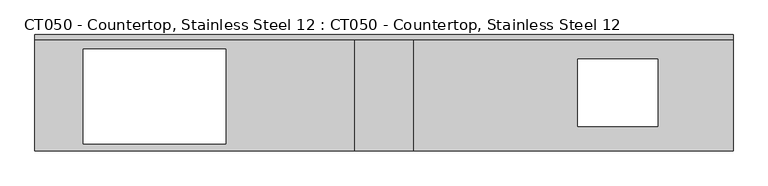
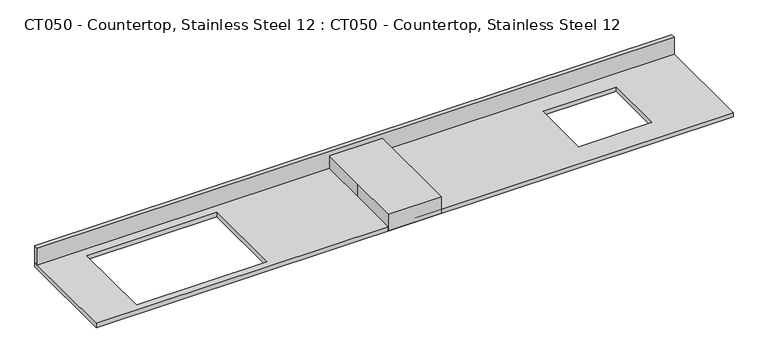
"""IFC4 building model written with IfcOpenShell, lengths in millimetres: proxy geometry, CT050 - Countertop, Stainless Steel 12 : CT050 - Countertop, Stainless Steel 12."""

from ifc_helpers import new_model, si_unit, frame, origin, origin_with_axes, place, context, project, spatial, polyline, outline, extrude, source, transform, mapped, element, save


def ct050_countertop_stainless_steel_12_ct050_countertop_0e9cb8d7(model_context):
    return source(origin(), model_context, "Body", "SweptSolid", [
        extrude(outline(polyline([(-152.4, 304.8), (152.4, 304.8), (152.4, -304.8), (-152.4, -304.8), (-152.4, 0.0), (-152.4, 304.8)])), origin_with_axes(), (0.0, 0.0, 1.0), 101.6),
        extrude(outline(polyline([(1828.8, 304.8), (1828.8, -304.8), (-1828.8, -304.8), (-1828.8, 304.8), (1828.8, 304.8)]), holes=[polyline([(1435.076648, 177.8), (1016.0, 177.8), (1016.0, -176.5010608), (1435.076648, -176.5010608), (1435.076648, 177.8)]), polyline([(-828.560319, 228.6), (-1574.8, 228.6), (-1574.8, -266.8181232), (-828.560319, -266.8181232), (-828.560319, 228.6)])]), origin_with_axes(), (0.0, 0.0, 1.0), 25.4),
        extrude(outline(polyline([(-1828.8, 279.4), (-1828.8, 304.8), (1828.8, 304.8), (1828.8, 279.4), (-1828.8, 279.4)])), frame((0.0, 0.0, 25.4), z_axis=(0.0, 0.0, 1.0), x_axis=(1.0, 0.0, 0.0)), (0.0, 0.0, 1.0), 101.6),
    ])


if __name__ == "__main__":
    model = new_model("IFC4")
    model_context = context("Model", 3, world=origin())
    ifc_project = project(units=[si_unit("LENGTHUNIT", "METRE", prefix="MILLI")], contexts=[model_context])
    site = spatial("IfcSite", under=ifc_project)
    building = spatial("IfcBuilding", under=site)
    placement = place(None, origin())
    ct050_countertop_stainless_steel_12_ct050_countertop_shape = ct050_countertop_stainless_steel_12_ct050_countertop_0e9cb8d7(model_context)
    element("IfcBuildingElementProxy", 1, Name="CT050 - Countertop, Stainless Steel 12 : CT050 - Countertop, Stainless Steel 12", ObjectType="CT050 - Countertop, Stainless Steel 12 : CT050 - Countertop, Stainless Steel 12", at=placement, inside=building, context=model_context, shape_type="MappedRepresentation", body=[
        mapped(ct050_countertop_stainless_steel_12_ct050_countertop_shape, transform((0.0, 0.0, 0.0), x_axis=(1.0, 0.0, 0.0), y_axis=(0.0, 1.0, 0.0), z_axis=(0.0, 0.0, 1.0))),
    ])
    save(model, "model.ifc")
